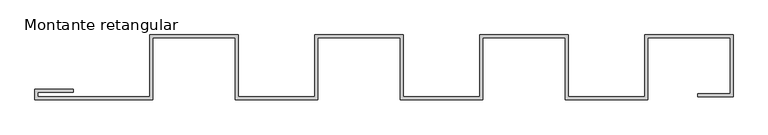
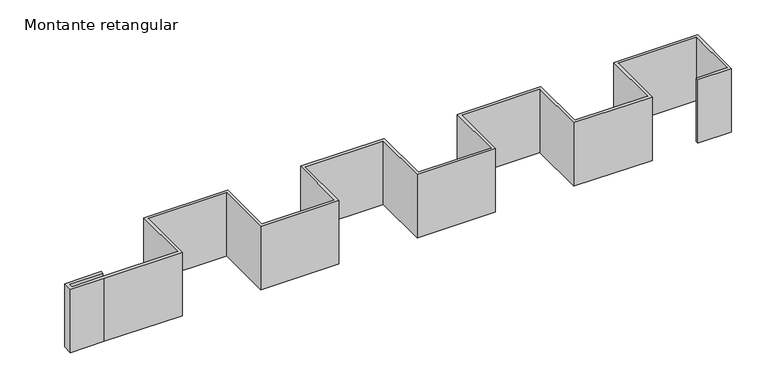
"""IFC4 building model written with IfcOpenShell, lengths in millimetres: member geometry, Montante retangular."""

from ifc_helpers import new_model, si_unit, frame, origin, place, context, project, spatial, polyline, outline, extrude, source, transform, mapped, element, save


def montante_retangular_57bfb9e8(model_context):
    return source(origin(), model_context, "Body", "SweptSolid", [
        extrude(outline(polyline([(-2900.0, 2100.0), (-2900.0, 0.0), (-5700.0, 0.0), (-5700.0, 2100.0), (-8500.0, 2100.0), (-8500.0, 0.0), (-11300.0, 0.0), (-11300.0, 2100.0), (-14100.0, 2100.0), (-14100.0, 0.0), (-16900.0, 0.0), (-16900.0, 2100.0), (-19700.0, 2100.0), (-19700.0, 0.0), (-22500.0, 0.0), (-23700.0, 0.0), (-23700.0, 350.0), (-22400.0, 350.0), (-22400.0, 250.0), (-23600.0, 250.0), (-23600.0, 100.0), (-22500.0, 100.0), (-19800.0, 100.0), (-19800.0, 2200.0), (-16900.0, 2200.0), (-16800.0, 2200.0), (-16800.0, 100.0), (-14200.0, 100.0), (-14200.0, 2200.0), (-11200.0, 2200.0), (-11200.0, 100.0), (-8600.0, 100.0), (-8600.0, 2200.0), (-5600.0, 2200.0), (-5600.0, 100.0), (-3000.0, 100.0), (-3000.0, 2200.0), (0.0, 2200.0), (0.0, 100.0), (-1200.0, 100.0), (-1200.0, 200.0), (-100.0, 200.0), (-100.0, 2100.0), (-2900.0, 2100.0)])), frame((0.0, 0.0, -2400.0), z_axis=(0.0, 0.0, 1.0), x_axis=(1.0, 0.0, 0.0)), (0.0, 0.0, 1.0), 2400.0),
    ])


if __name__ == "__main__":
    model = new_model("IFC4")
    model_context = context("Model", 3, world=origin())
    ifc_project = project(units=[si_unit("LENGTHUNIT", "METRE", prefix="MILLI")], contexts=[model_context])
    site = spatial("IfcSite", under=ifc_project)
    building = spatial("IfcBuilding", under=site)
    placement = place(None, origin())
    montante_retangular_shape = montante_retangular_57bfb9e8(model_context)
    element("IfcMember", 1, ObjectType="Montante retangular", at=placement, inside=building, context=model_context, shape_type="MappedRepresentation", body=[
        mapped(montante_retangular_shape, transform((0.0, 0.0, 0.0), x_axis=(1.0, 0.0, 0.0), y_axis=(0.0, 1.0, 0.0), z_axis=(0.0, 0.0, 1.0))),
    ])
    save(model, "model.ifc")
